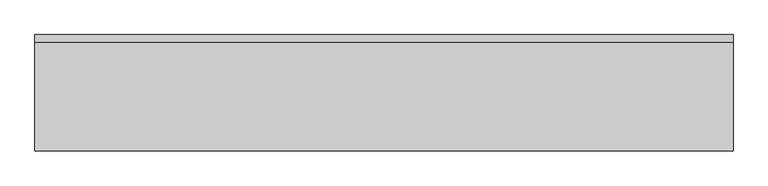
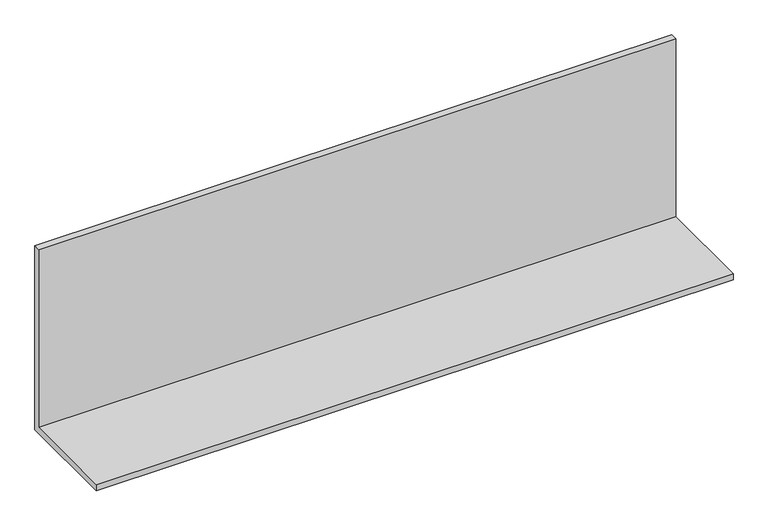
"""IFC4 building model written with IfcOpenShell, lengths in millimetres: furniture geometry."""

from ifc_helpers import new_model, si_unit, frame, origin, place, context, project, spatial, polyline, outline, extrude, source, transform, mapped, element, save


def furniture_ef7dac90(model_context):
    return source(origin(), model_context, "Body", "SweptSolid", [
        extrude(outline(polyline([(57.15, 1311.275), (-247.65, 1311.275), (-247.65, 1330.325), (38.1, 1330.325), (38.1, 1870.075), (57.15, 1870.075), (57.15, 1311.275)])), frame((0.0, 0.0, 0.0), z_axis=(1.0, 0.0, 0.0), x_axis=(0.0, 1.0, 0.0)), (0.0, 0.0, 1.0), 1828.8),
    ])


if __name__ == "__main__":
    model = new_model("IFC4")
    model_context = context("Model", 3, world=origin())
    ifc_project = project(units=[si_unit("LENGTHUNIT", "METRE", prefix="MILLI")], contexts=[model_context])
    site = spatial("IfcSite", under=ifc_project)
    building = spatial("IfcBuilding", under=site)
    placement = place(None, origin())
    furniture_shape = furniture_ef7dac90(model_context)
    element("IfcFurniture", 1, at=placement, inside=building, context=model_context, shape_type="MappedRepresentation", body=[
        mapped(furniture_shape, transform((0.0, 0.0, 0.0), x_axis=(1.0, 0.0, 0.0), y_axis=(0.0, 1.0, 0.0), z_axis=(0.0, 0.0, 1.0))),
    ])
    save(model, "model.ifc")
